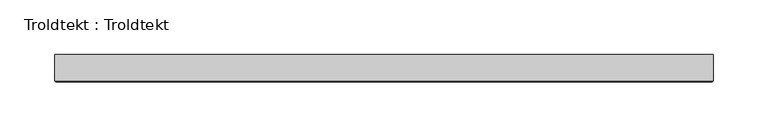
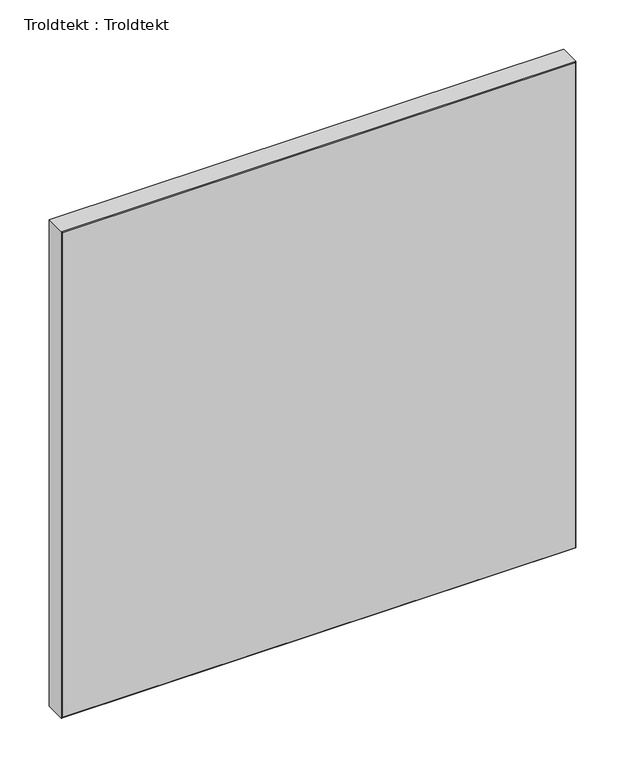
"""IFC4 building model written with IfcOpenShell, lengths in millimetres: proxy geometry, Troldtekt : Troldtekt."""

from ifc_helpers import new_model, si_unit, origin, place, context, project, spatial, faceted_brep, source, transform, mapped, element, save


def troldtekt_troldtekt_9b007bf1(model_context):
    return source(origin(), model_context, "Body", "Brep", [
        faceted_brep([(-300.0, 12.5, 600.0), (-300.0, -11.495044, 600.0), (300.0, -11.495044, 600.0), (300.0, 12.5, 600.0), (300.0, 12.5, 0.0), (300.0, -11.495044, 0.0), (-300.0, -11.495044, 0.0), (-300.0, 12.5, 0.0), (-298.995044, -12.5, 1.004956), (298.995044, -12.5, 1.004956), (298.995044, -12.5, 598.995044), (-298.995044, -12.5, 598.995044)], [[[0, 1, 2, 3]], [[4, 5, 6, 7]], [[8, 9, 10, 11]], [[7, 6, 1, 0]], [[3, 4, 7, 0]], [[3, 2, 5, 4]], [[8, 11, 1, 6]], [[6, 5, 9, 8]], [[5, 2, 10, 9]], [[2, 1, 11, 10]]]),
    ])


if __name__ == "__main__":
    model = new_model("IFC4")
    model_context = context("Model", 3, world=origin())
    ifc_project = project(units=[si_unit("LENGTHUNIT", "METRE", prefix="MILLI")], contexts=[model_context])
    site = spatial("IfcSite", under=ifc_project)
    building = spatial("IfcBuilding", under=site)
    placement = place(None, origin())
    troldtekt_troldtekt_shape = troldtekt_troldtekt_9b007bf1(model_context)
    element("IfcBuildingElementProxy", 1, Name="Troldtekt : Troldtekt", ObjectType="Troldtekt : Troldtekt", at=placement, inside=building, context=model_context, shape_type="MappedRepresentation", body=[
        mapped(troldtekt_troldtekt_shape, transform((0.0, 0.0, 0.0), x_axis=(1.0, 0.0, 0.0), y_axis=(0.0, 1.0, 0.0), z_axis=(0.0, 0.0, 1.0))),
    ])
    save(model, "model.ifc")
